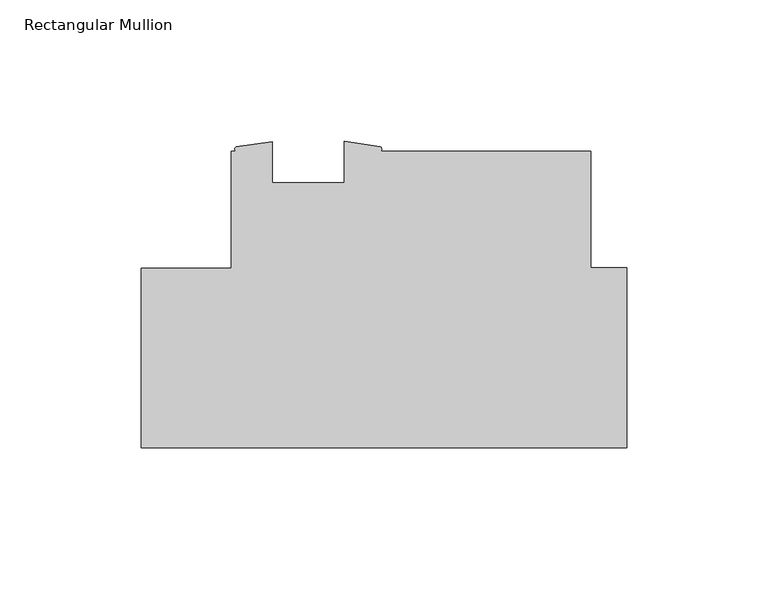
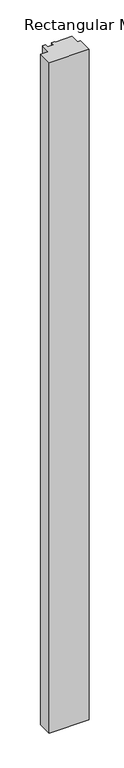
"""IFC4 building model written with IfcOpenShell, lengths in millimetres: member geometry, Rectangular Mullion."""

from ifc_helpers import new_model, si_unit, point, frame, frame_2d, origin, place, context, project, spatial, polyline, circle_curve, trimmed, segment, composite_curve, outline, extrude, source, transform, mapped, element, save


def rectangular_mullion_ededf4a5(model_context):
    return source(origin(), model_context, "Body", "SweptSolid", [
        extrude(outline(composite_curve([segment(polyline([(-171.4499999, 63.5257201), (-139.7010309, 63.5257201), (-139.7010309, 104.7753198), (-137.9687934, 104.7753198)]), True, "CONTINUOUS"), segment(trimmed(circle_curve(frame_2d((-137.5291793, 105.5681078)), 0.9065172), [point((-137.9687934, 104.7753198))], [point((-137.9687934, 106.3608959))], False, "CARTESIAN"), True, "CONTINUOUS"), segment(polyline([(-137.9687934, 106.3608959), (-125.1975059, 108.1709997), (-125.1975059, 93.6628198), (-99.7856557, 93.6628198), (-99.7856557, 108.2927994), (-87.0244531, 106.4384041)]), True, "CONTINUOUS"), segment(trimmed(circle_curve(frame_2d((-87.5745784, 105.6068619)), 0.9970457), [point((-87.0244531, 106.4384041))], [point((-87.0244531, 104.7753198))], False, "CARTESIAN"), True, "CONTINUOUS"), segment(polyline([(-87.0244531, 104.7753198), (-12.7010309, 104.7753198), (-12.7010309, 63.6460273), (0.0, 63.6460273), (0.0, 0.0003201), (-171.4499999, 0.0003201), (-171.4499999, 63.5257201)]), True, "CONTINUOUS")], self_intersect=False)), frame((0.0, 0.0, -3048.0), z_axis=(0.0, 0.0, 1.0), x_axis=(1.0, 0.0, 0.0)), (0.0, 0.0, 1.0), 3048.0),
    ])


if __name__ == "__main__":
    model = new_model("IFC4")
    model_context = context("Model", 3, world=origin())
    ifc_project = project(units=[si_unit("LENGTHUNIT", "METRE", prefix="MILLI")], contexts=[model_context])
    site = spatial("IfcSite", under=ifc_project)
    building = spatial("IfcBuilding", under=site)
    placement = place(None, origin())
    rectangular_mullion_shape = rectangular_mullion_ededf4a5(model_context)
    element("IfcMember", 1, ObjectType="Rectangular Mullion", at=placement, inside=building, context=model_context, shape_type="MappedRepresentation", body=[
        mapped(rectangular_mullion_shape, transform((0.0, 0.0, 0.0), x_axis=(1.0, 0.0, 0.0), y_axis=(0.0, 1.0, 0.0), z_axis=(0.0, 0.0, 1.0))),
    ])
    save(model, "model.ifc")
